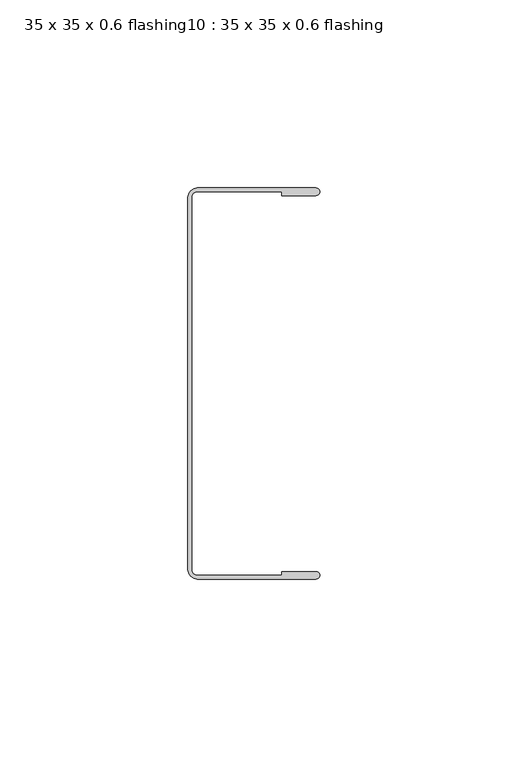
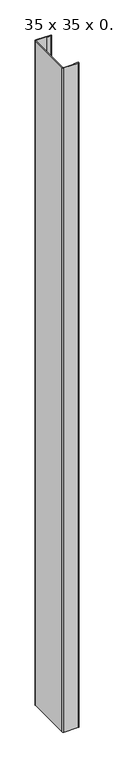
"""IFC4 building model written with IfcOpenShell, lengths in millimetres: proxy geometry, 35 x 35 x 0.6 flashing10 : 35 x 35 x 0.6 flashing."""

from ifc_helpers import new_model, si_unit, point, frame_2d, origin, origin_with_axes, place, context, project, spatial, polyline, circle_curve, trimmed, segment, composite_curve, outline, extrude, source, transform, mapped, element, save


def proxy_35_x_35_x_0_6_flashing10_35_x_35_x_0_6_flashing_9f6452a3(model_context):
    return source(origin(), model_context, "Body", "SweptSolid", [
        extrude(outline(composite_curve([segment(polyline([(4019.0814359, 880.6461406), (3987.5487585, 880.6461406)]), True, "CONTINUOUS"), segment(trimmed(circle_curve(frame_2d((3987.5487585, 883.1461406)), 2.5), [point((3987.5487585, 880.6461406))], [point((3985.0487585, 883.1461406))], False, "CARTESIAN"), True, "CONTINUOUS"), segment(polyline([(3985.0487585, 883.1461406), (3985.0487585, 982.1461443)]), True, "CONTINUOUS"), segment(trimmed(circle_curve(frame_2d((3987.5487585, 982.1461443)), 2.5), [point((3985.0487585, 982.1461443))], [point((3987.5487585, 984.6461443))], False, "CARTESIAN"), True, "CONTINUOUS"), segment(polyline([(3987.5487585, 984.6461443), (4019.0814359, 984.6461443)]), True, "CONTINUOUS"), segment(trimmed(circle_curve(frame_2d((4019.0814359, 983.6461443)), 1.0), [point((4019.0814359, 984.6461443))], [point((4019.0814359, 982.6461443))], False, "CARTESIAN"), True, "CONTINUOUS"), segment(polyline([(4019.0814359, 982.6461443), (4010.0487585, 982.6461443), (4010.0487585, 983.6461443), (3987.5487585, 983.6461443)]), True, "CONTINUOUS"), segment(trimmed(circle_curve(frame_2d((3987.5487585, 982.1461443)), 1.5), [point((3987.5487585, 983.6461443))], [point((3986.0487585, 982.1461443))], True, "CARTESIAN"), True, "CONTINUOUS"), segment(polyline([(3986.0487585, 982.1461443), (3986.0487585, 883.1461406)]), True, "CONTINUOUS"), segment(trimmed(circle_curve(frame_2d((3987.5487585, 883.1461406)), 1.5), [point((3986.0487585, 883.1461406))], [point((3987.5487585, 881.6461406))], True, "CARTESIAN"), True, "CONTINUOUS"), segment(polyline([(3987.5487585, 881.6461406), (4010.0487585, 881.6461406), (4010.0487585, 882.6461406), (4019.0814359, 882.6461406)]), True, "CONTINUOUS"), segment(trimmed(circle_curve(frame_2d((4019.0814359, 881.6461406)), 1.0), [point((4019.0814359, 882.6461406))], [point((4019.0814359, 880.6461406))], False, "CARTESIAN"), True, "CONTINUOUS")], self_intersect=False)), origin_with_axes(), (0.0, 0.0, 1.0), 1500.0),
    ])


if __name__ == "__main__":
    model = new_model("IFC4")
    model_context = context("Model", 3, world=origin())
    ifc_project = project(units=[si_unit("LENGTHUNIT", "METRE", prefix="MILLI")], contexts=[model_context])
    site = spatial("IfcSite", under=ifc_project)
    building = spatial("IfcBuilding", under=site)
    placement = place(None, origin())
    proxy_35_x_35_x_0_6_flashing10_35_x_35_x_0_6_flashing_shape = proxy_35_x_35_x_0_6_flashing10_35_x_35_x_0_6_flashing_9f6452a3(model_context)
    element("IfcBuildingElementProxy", 1, Name="35 x 35 x 0.6 flashing10 : 35 x 35 x 0.6 flashing", ObjectType="35 x 35 x 0.6 flashing10 : 35 x 35 x 0.6 flashing", at=placement, inside=building, context=model_context, shape_type="MappedRepresentation", body=[
        mapped(proxy_35_x_35_x_0_6_flashing10_35_x_35_x_0_6_flashing_shape, transform((0.0, 0.0, 0.0), x_axis=(1.0, 0.0, 0.0), y_axis=(0.0, 1.0, 0.0), z_axis=(0.0, 0.0, 1.0))),
    ])
    save(model, "model.ifc")
